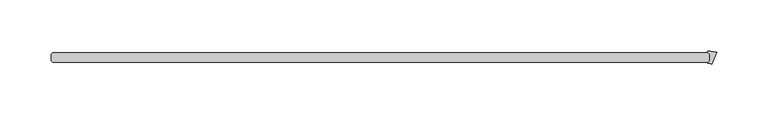
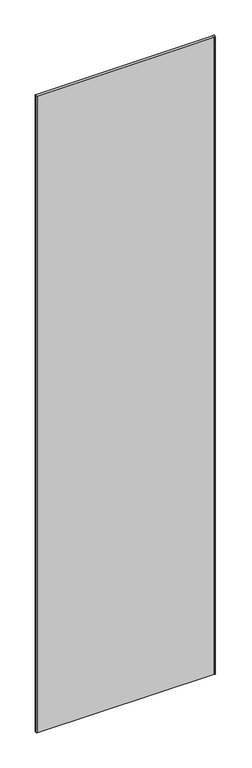
"""IFC4 building model written with IfcOpenShell, lengths in millimetres: plate geometry."""

import ifcopenshell
import ifcopenshell.guid

model = None  # the IFC model being written
_history = None  # IfcOwnerHistory: only IFC2X3 demands one
_inside = {}  # id of a spatial element -> (the spatial element, [elements in it])
_under = {}  # id of a project, library or spatial element -> (it, [spatial elements below it])
_declared = {}  # id of a project -> (the project, [libraries it declares])
_typed = {}  # id of a type object -> (the type object, [elements of that type])
_made_of = {}  # id of a material, layer set ... -> (it, [elements and type objects made of it])


def new_model(schema):
    """Start an empty IFC model of exactly this schema.

    Asked for "IFC4X3", IfcOpenShell would pick the latest addendum, in which some entities
    have other attributes; the version numbers below select the first issue.
    IFC2X3 requires an IfcOwnerHistory on every rooted entity: one is made here for all.
    """
    global model, _history
    if schema == "IFC4X3":
        model = ifcopenshell.file(schema_version=(4, 3, 0, 0))
    else:
        model = ifcopenshell.file(schema=schema)
    _inside.clear()
    _under.clear()
    _declared.clear()
    _typed.clear()
    _made_of.clear()
    _history = None
    if model.schema == "IFC2X3":
        org = make("IfcOrganization", Name="unknown")
        user = make(
            "IfcPersonAndOrganization",
            ThePerson=make("IfcPerson", FamilyName="unknown"),
            TheOrganization=org,
        )
        app = make(
            "IfcApplication",
            ApplicationDeveloper=org,
            Version="unknown",
            ApplicationFullName="unknown",
            ApplicationIdentifier="unknown",
        )
        _history = make(
            "IfcOwnerHistory",
            OwningUser=user,
            OwningApplication=app,
            ChangeAction="ADDED",
            CreationDate=0,
        )
    return model


def make(cls, **values):
    """One entity of the class cls with the attributes given. An attribute that is None is left unset."""
    return model.create_entity(
        cls, **{name: value for name, value in values.items() if value is not None}
    )


def rooted(cls, **values):
    """An entity with a GlobalId (a new one), such as an element, a storey or a relation."""
    return make(cls, GlobalId=ifcopenshell.guid.new(), OwnerHistory=_history, **values)


def si_unit(unit_type, name, prefix=None):
    """IfcSIUnit, for example si_unit("LENGTHUNIT", "METRE", prefix="MILLI")."""
    return make("IfcSIUnit", UnitType=unit_type, Prefix=prefix, Name=name)


def assignment(units):
    """IfcUnitAssignment: the units of a project."""
    return None if units is None else make("IfcUnitAssignment", Units=units)


def point(xyz):
    """IfcCartesianPoint."""
    return None if xyz is None else make("IfcCartesianPoint", Coordinates=xyz)


def direction(xyz):
    """IfcDirection."""
    return None if xyz is None else make("IfcDirection", DirectionRatios=xyz)


def frame(location, z_axis=None, x_axis=None):
    """IfcAxis2Placement3D, a coordinate frame: its origin and axes. An axis left out is left unset."""
    return make(
        "IfcAxis2Placement3D",
        Location=point(location),
        Axis=direction(z_axis),
        RefDirection=direction(x_axis),
    )


def frame_2d(location, x_axis=None):
    """IfcAxis2Placement2D, a coordinate frame in the plane: its origin and x axis."""
    return make(
        "IfcAxis2Placement2D", Location=point(location), RefDirection=direction(x_axis)
    )


def origin():
    """The frame at (0, 0, 0) with its axes left unset."""
    return frame((0.0, 0.0, 0.0))


def origin_with_axes():
    """The frame at (0, 0, 0) with the z axis (0, 0, 1) and the x axis (1, 0, 0) written out."""
    return frame((0.0, 0.0, 0.0), z_axis=(0.0, 0.0, 1.0), x_axis=(1.0, 0.0, 0.0))


def place(relative_to, where):
    """IfcLocalPlacement: puts the frame where relative to a parent placement (None: the world)."""
    return make(
        "IfcLocalPlacement", PlacementRelTo=relative_to, RelativePlacement=where
    )


def context(
    kind, dimensions, precision=None, world=None, true_north=None, identifier=None
):
    """IfcGeometricRepresentationContext, for example the 3D "Model" context."""
    return make(
        "IfcGeometricRepresentationContext",
        ContextIdentifier=identifier,
        ContextType=kind,
        CoordinateSpaceDimension=dimensions,
        Precision=precision,
        WorldCoordinateSystem=world,
        TrueNorth=true_north,
    )


def project(units=None, contexts=None):
    """IfcProject with its units and contexts."""
    return rooted(
        "IfcProject",
        Name="project",
        RepresentationContexts=contexts,
        UnitsInContext=assignment(units),
    )


def spatial(cls, under=None, at=None, **own):
    """A site, building, storey or space (cls), placed at a placement, below another one or the project."""
    s = rooted(cls, ObjectPlacement=at, **own)
    if under is not None:
        _under.setdefault(under.id(), (under, []))[1].append(s)
    return s


def polyline(points):
    """IfcPolyline through the points."""
    return make("IfcPolyline", Points=[point(p) for p in points])


def circle_curve(where, radius):
    """IfcCircle in the frame where."""
    return make("IfcCircle", Position=where, Radius=radius)


def trimmed(basis, trim1, trim2, sense, master):
    """IfcTrimmedCurve: the piece of a basis curve between two trims."""
    return make(
        "IfcTrimmedCurve",
        BasisCurve=basis,
        Trim1=trim1,
        Trim2=trim2,
        SenseAgreement=sense,
        MasterRepresentation=master,
    )


def segment(curve, same_sense, transition):
    """IfcCompositeCurveSegment."""
    return make(
        "IfcCompositeCurveSegment",
        Transition=transition,
        SameSense=same_sense,
        ParentCurve=curve,
    )


def composite_curve(segments, self_intersect=None):
    """IfcCompositeCurve: segments joined end to end."""
    return make("IfcCompositeCurve", Segments=segments, SelfIntersect=self_intersect)


def outline(outer, holes=None, kind="AREA"):
    """IfcArbitraryClosedProfileDef: a profile drawn as a closed curve; with holes, ...WithVoids."""
    if holes is None:
        return make("IfcArbitraryClosedProfileDef", ProfileType=kind, OuterCurve=outer)
    return make(
        "IfcArbitraryProfileDefWithVoids",
        ProfileType=kind,
        OuterCurve=outer,
        InnerCurves=holes,
    )


def extrude(swept, where, along, depth):
    """IfcExtrudedAreaSolid: the profile swept, set in the frame where, extruded along a direction by depth."""
    return make(
        "IfcExtrudedAreaSolid",
        SweptArea=swept,
        Position=where,
        ExtrudedDirection=direction(along),
        Depth=depth,
    )


def shape(context_of_items, identifier, shape_type, items):
    """IfcShapeRepresentation: the items that make up one representation, for example the "Body"."""
    return make(
        "IfcShapeRepresentation",
        ContextOfItems=context_of_items,
        RepresentationIdentifier=identifier,
        RepresentationType=shape_type,
        Items=items,
    )


def source(mapping_origin, context_of_items, identifier, shape_type, items):
    """IfcRepresentationMap: a shape defined once, which mapped items show again and again."""
    return make(
        "IfcRepresentationMap",
        MappingOrigin=mapping_origin,
        MappedRepresentation=shape(context_of_items, identifier, shape_type, items),
    )


def transform(
    local_origin,
    x_axis=None,
    y_axis=None,
    z_axis=None,
    scale=None,
    scale2=None,
    scale3=None,
    uniform=True,
):
    """IfcCartesianTransformationOperator3D, or its non-uniform kind. x_axis, y_axis, z_axis: its Axis1, 2, 3."""
    if uniform:
        return make(
            "IfcCartesianTransformationOperator3D",
            Axis1=direction(x_axis),
            Axis2=direction(y_axis),
            LocalOrigin=point(local_origin),
            Scale=scale,
            Axis3=direction(z_axis),
        )
    return make(
        "IfcCartesianTransformationOperator3DnonUniform",
        Axis1=direction(x_axis),
        Axis2=direction(y_axis),
        LocalOrigin=point(local_origin),
        Scale=scale,
        Axis3=direction(z_axis),
        Scale2=scale2,
        Scale3=scale3,
    )


def mapped(mapping_source, mapping_target):
    """IfcMappedItem: shows the shape of a source again, moved by a transform."""
    return make(
        "IfcMappedItem", MappingSource=mapping_source, MappingTarget=mapping_target
    )


def made_of(thing, what):
    """Note that an element or type object is made of a material, layer set ...; save() writes the relation."""
    if what is not None:
        _made_of.setdefault(what.id(), (what, []))[1].append(thing)
    return thing


def element(
    cls,
    number,
    at=None,
    inside=None,
    cuts=None,
    type_object=None,
    material=None,
    context=None,
    identifier="Body",
    shape_type=None,
    held_by="IfcProductDefinitionShape",
    body=None,
    shapes=None,
    **own,
):
    """One element of the class cls, such as IfcWall. Its Tag is "e" and its number.

    at: its placement. inside: the storey or other place that contains it. cuts: it is an
    opening in that element (IfcRelVoidsElement). A single representation is given by context,
    identifier, shape_type and body (its items); several are given by shapes. held_by: the class
    of the entity that holds the representations. save() writes the other relations.
    """
    e = rooted(cls, Tag="e%d" % number, ObjectPlacement=at, **own)
    if body is not None:
        shapes = [shape(context, identifier, shape_type, body)]
    if shapes is not None:
        e.Representation = make(held_by, Representations=shapes)
    if inside is not None:
        _inside.setdefault(inside.id(), (inside, []))[1].append(e)
    if cuts is not None:
        rooted(
            "IfcRelVoidsElement", RelatingBuildingElement=cuts, RelatedOpeningElement=e
        )
    if type_object is not None:
        _typed.setdefault(type_object.id(), (type_object, []))[1].append(e)
    return made_of(e, material)


def aggregate(whole, parts):
    """IfcRelAggregates: a whole, such as a stair, and the parts it consists of."""
    return rooted("IfcRelAggregates", RelatingObject=whole, RelatedObjects=parts)


def save(model, path):
    """Write the relations noted so far, then the file.

    IfcRelAggregates (storeys below a building ...), IfcRelContainedInSpatialStructure (elements
    in a storey), IfcRelDefinesByType, IfcRelAssociatesMaterial and IfcRelDeclares: one each for
    every whole, place, type object, material and project.
    """
    for whole, parts in _under.values():
        aggregate(whole, parts)
    for where, things in _inside.values():
        rooted(
            "IfcRelContainedInSpatialStructure",
            RelatedElements=things,
            RelatingStructure=where,
        )
    for kind, things in _typed.values():
        rooted("IfcRelDefinesByType", RelatedObjects=things, RelatingType=kind)
    for what, things in _made_of.values():
        rooted("IfcRelAssociatesMaterial", RelatedObjects=things, RelatingMaterial=what)
    for by, libraries in _declared.values():
        rooted("IfcRelDeclares", RelatingContext=by, RelatedDefinitions=libraries)
    model.write(path)


def plate_204be93a(model_context):
    return source(origin(), model_context, "Body", "SweptSolid", [
        extrude(outline(composite_curve([segment(polyline([(331.659972, 35.1433375), (326.9309388, 23.7264413)]), True, "CONTINUOUS"), segment(trimmed(circle_curve(frame_2d((323.2331067, 16.386585)), 8.2187257), [point((326.9309388, 23.7264413))], [point((323.4004278, 24.6036073))], True, "CARTESIAN"), True, "CONTINUOUS"), segment(trimmed(circle_curve(frame_2d((323.4085076, 25.0004)), 0.396875), [point((323.4004278, 24.6036073))], [point((323.1278746, 25.2810331))], False, "CARTESIAN"), True, "CONTINUOUS"), segment(polyline([(323.1278746, 25.2810331), (324.8343416, 26.9875), (324.8343416, 33.3375), (322.7551339, 35.4167077)]), True, "CONTINUOUS"), segment(trimmed(circle_curve(frame_2d((323.0357669, 35.6973407)), 0.396875), [point((322.7551339, 35.4167077))], [point((322.9799997, 36.0902781))], False, "CARTESIAN"), True, "CONTINUOUS"), segment(trimmed(circle_curve(frame_2d((325.462995, 18.5950115)), 17.6705863), [point((322.9799997, 36.0902781))], [point((331.659972, 35.1433375))], False, "CARTESIAN"), True, "CONTINUOUS")], self_intersect=False)), origin_with_axes(), (0.0, 0.0, 1.0), 2428.7789267),
        extrude(outline(polyline([(323.2468416, 34.925), (324.8343416, 33.3375), (324.8343416, 26.9875), (323.2468416, 25.4), (-315.515625, 25.4), (-317.103125, 26.9875), (-317.103125, 33.3375), (-315.515625, 34.925), (323.2468416, 34.925)])), origin_with_axes(), (0.0, 0.0, 1.0), 2428.7789267),
    ])


if __name__ == "__main__":
    model = new_model("IFC4")
    model_context = context("Model", 3, world=origin())
    ifc_project = project(units=[si_unit("LENGTHUNIT", "METRE", prefix="MILLI")], contexts=[model_context])
    site = spatial("IfcSite", under=ifc_project)
    building = spatial("IfcBuilding", under=site)
    placement = place(None, origin())
    plate_shape = plate_204be93a(model_context)
    element("IfcPlate", 1, at=placement, inside=building, context=model_context, shape_type="MappedRepresentation", body=[
        mapped(plate_shape, transform((0.0, 0.0, 0.0), x_axis=(1.0, 0.0, 0.0), y_axis=(0.0, 1.0, 0.0), z_axis=(0.0, 0.0, 1.0))),
    ])
    save(model, "model.ifc")
